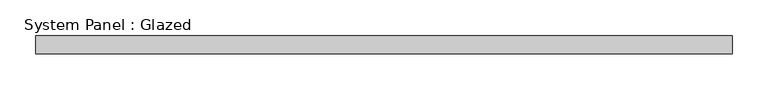
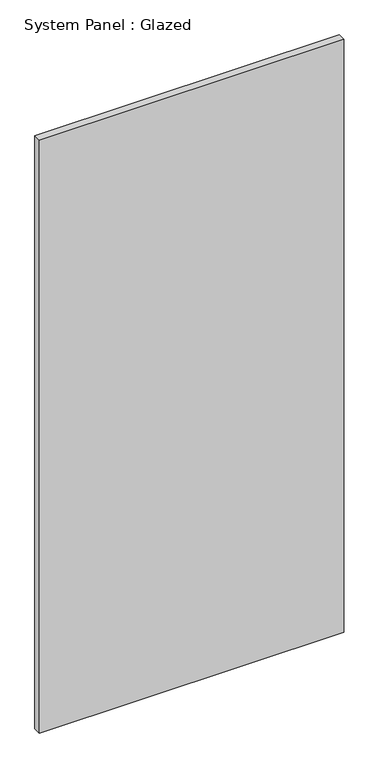
"""IFC4 building model written with IfcOpenShell, lengths in millimetres: plate geometry, System Panel : Glazed."""

from ifc_helpers import new_model, si_unit, origin, origin_with_axes, place, context, project, spatial, polyline, outline, extrude, source, transform, mapped, element, save


def system_panel_glazed_7423400e(model_context):
    return source(origin(), model_context, "Body", "SweptSolid", [
        extrude(outline(polyline([(485.3839018, 24.5), (-485.3839018, 24.5), (-485.3839018, 49.5), (485.3839018, 49.5), (485.3839018, 24.5)])), origin_with_axes(), (0.0, 0.0, 1.0), 2000.0),
    ])


if __name__ == "__main__":
    model = new_model("IFC4")
    model_context = context("Model", 3, world=origin())
    ifc_project = project(units=[si_unit("LENGTHUNIT", "METRE", prefix="MILLI")], contexts=[model_context])
    site = spatial("IfcSite", under=ifc_project)
    building = spatial("IfcBuilding", under=site)
    placement = place(None, origin())
    system_panel_glazed_shape = system_panel_glazed_7423400e(model_context)
    element("IfcPlate", 1, ObjectType="System Panel : Glazed", at=placement, inside=building, context=model_context, shape_type="MappedRepresentation", body=[
        mapped(system_panel_glazed_shape, transform((0.0, 0.0, 0.0), x_axis=(1.0, 0.0, 0.0), y_axis=(0.0, 1.0, 0.0), z_axis=(0.0, 0.0, 1.0))),
    ])
    save(model, "model.ifc")
